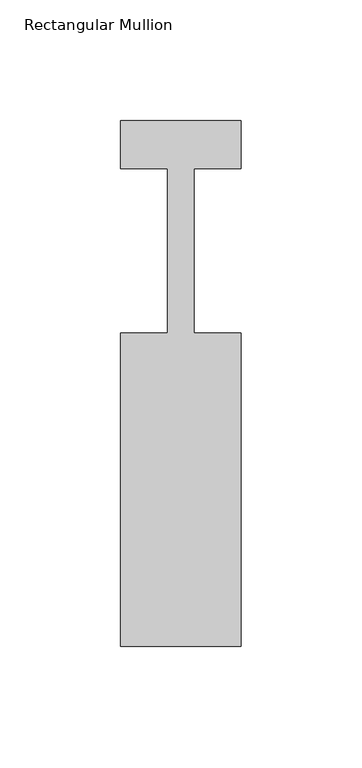
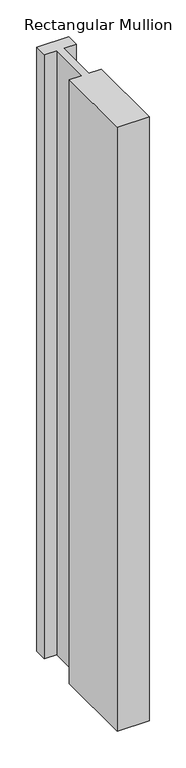
"""IFC4 building model written with IfcOpenShell, lengths in millimetres: member geometry, Rectangular Mullion."""

from ifc_helpers import new_model, si_unit, frame, origin, place, context, project, spatial, polyline, outline, extrude, source, transform, mapped, element, save


def rectangular_mullion_94e92844(model_context):
    return source(origin(), model_context, "Body", "SweptSolid", [
        extrude(outline(polyline([(25.0, -162.0), (-25.0, -162.0), (-25.0, -32.0), (-5.4999999, -32.0), (-5.4999999, 36.0), (-25.0, 36.0), (-25.0, 56.0), (25.0, 56.0), (25.0, 36.0), (5.5, 36.0), (5.5, -32.0), (25.0, -32.0), (25.0, -162.0)])), frame((0.0, 0.0, -1000.0), z_axis=(0.0, 0.0, 1.0), x_axis=(1.0, 0.0, 0.0)), (0.0, 0.0, 1.0), 1000.0),
    ])


if __name__ == "__main__":
    model = new_model("IFC4")
    model_context = context("Model", 3, world=origin())
    ifc_project = project(units=[si_unit("LENGTHUNIT", "METRE", prefix="MILLI")], contexts=[model_context])
    site = spatial("IfcSite", under=ifc_project)
    building = spatial("IfcBuilding", under=site)
    placement = place(None, origin())
    rectangular_mullion_shape = rectangular_mullion_94e92844(model_context)
    element("IfcMember", 1, ObjectType="Rectangular Mullion", at=placement, inside=building, context=model_context, shape_type="MappedRepresentation", body=[
        mapped(rectangular_mullion_shape, transform((0.0, 0.0, 0.0), x_axis=(1.0, 0.0, 0.0), y_axis=(0.0, 1.0, 0.0), z_axis=(0.0, 0.0, 1.0))),
    ])
    save(model, "model.ifc")
